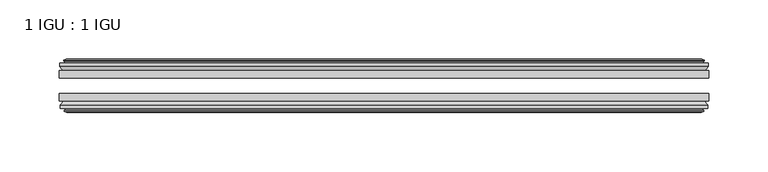
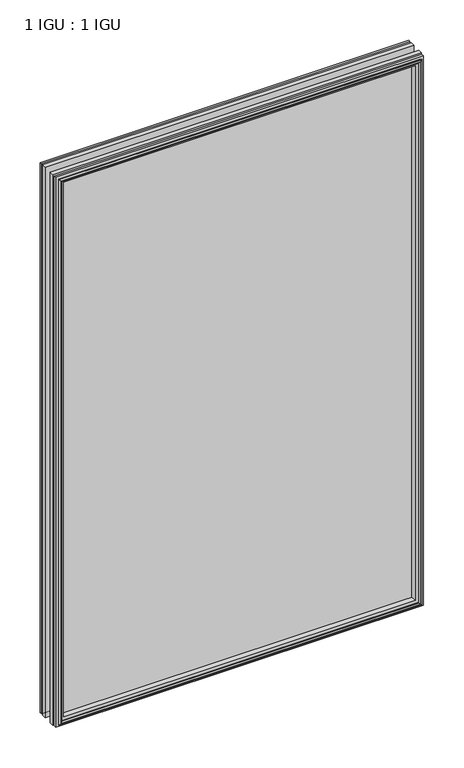
"""IFC4 building model written with IfcOpenShell, lengths in millimetres: plate geometry, 1 IGU : 1 IGU."""

from ifc_helpers import new_model, si_unit, frame, origin, place, context, project, spatial, polyline, outline, extrude, faceted_brep, source, transform, mapped, element, save


def plate_1_igu_1_igu_b5b1218d(model_context):
    return source(origin(), model_context, "Body", "SolidModel", [
        extrude(outline(polyline([(273.7421419, -19.5460937), (273.7421419, -25.8960938), (-273.7421419, -25.8960938), (-273.7421419, -19.5460937), (273.7421419, -19.5460937)])), frame((0.0, 0.0, -12.7), z_axis=(0.0, 0.0, 1.0), x_axis=(1.0, 0.0, 0.0)), (0.0, 0.0, 1.0), 863.6),
        extrude(outline(polyline([(-273.7421419, -44.9460938), (-273.7421419, -38.9186737), (273.7421419, -38.9186737), (273.7421419, -44.9460938), (-273.7421419, -44.9460938)])), frame((0.0, 0.0, -12.7), z_axis=(0.0, 0.0, 1.0), x_axis=(1.0, 0.0, 0.0)), (0.0, 0.0, 1.0), 863.6),
        faceted_brep([(-268.1541419, -53.6762907, 845.312), (-268.5351419, -51.2960937, 845.693), (-268.5351419, -51.2960937, -7.493), (-268.1541419, -53.6762907, -7.112), (-269.569671, -53.2163575, 846.7275291), (-269.569671, -53.2163575, -8.5275291), (-269.569671, -54.0175717, 846.7275291), (-269.569671, -54.0175717, -8.5275291), (-267.3921419, -54.7250937, 844.55), (-267.3921419, -54.7250937, -6.35), (-265.2146129, -54.0175717, 842.3724709), (-265.2146129, -54.0175717, -4.1724709), (-265.2146129, -53.2163575, 842.3724709), (-265.2146129, -53.2163575, -4.1724709), (-266.6301419, -53.6762907, 843.788), (-266.6301419, -53.6762907, -5.588), (-266.2491419, -51.2960937, 843.407), (-266.2491419, -51.2960937, -5.207), (-259.3244238, -44.9460937, 836.4822819), (-261.0421419, -51.2960937, 838.2), (-261.0421419, -51.2960937, 0.0), (-259.3244238, -44.9460937, 1.7177181), (-272.9801419, -48.3496937, 850.138), (-270.1457997, -44.9460937, 847.3036578), (-270.1457997, -44.9460937, -9.1036578), (-272.9801419, -48.3496937, -11.938), (-272.9801419, -51.2960937, 850.138), (-272.9801419, -51.2960937, -11.938), (268.5351419, -51.2960938, -7.493), (268.1541419, -53.6762907, -7.112), (269.569671, -53.2163575, -8.5275291), (269.569671, -54.0175717, -8.5275291), (267.3921419, -54.7250937, -6.35), (265.2146129, -54.0175717, -4.1724709), (265.2146129, -53.2163575, -4.1724709), (266.6301419, -53.6762907, -5.588), (266.2491419, -51.2960937, -5.207), (261.0421419, -51.2960937, 0.0), (259.3244238, -44.9460937, 1.7177181), (270.1457997, -44.9460937, -9.1036578), (272.9801419, -48.3496937, -11.938), (272.9801419, -51.2960938, -11.938), (268.5351419, -51.2960938, 845.693), (268.1541419, -53.6762907, 845.312), (269.569671, -53.2163575, 846.7275291), (269.569671, -54.0175717, 846.7275291), (267.3921419, -54.7250937, 844.55), (265.2146129, -54.0175717, 842.3724709), (265.2146129, -53.2163575, 842.3724709), (266.6301419, -53.6762907, 843.788), (266.2491419, -51.2960937, 843.407), (261.0421419, -51.2960937, 838.2), (259.3244238, -44.9460937, 836.4822819), (270.1457997, -44.9460937, 847.3036578), (272.9801419, -48.3496937, 850.138), (272.9801419, -51.2960938, 850.138)], [[[0, 1, 2, 3]], [[4, 0, 3, 5]], [[6, 4, 5, 7]], [[8, 6, 7, 9]], [[10, 8, 9, 11]], [[12, 10, 11, 13]], [[14, 12, 13, 15]], [[16, 14, 15, 17]], [[18, 19, 20, 21]], [[22, 23, 24, 25]], [[26, 22, 25, 27]], [[3, 2, 28, 29]], [[5, 3, 29, 30]], [[7, 5, 30, 31]], [[9, 7, 31, 32]], [[11, 9, 32, 33]], [[13, 11, 33, 34]], [[15, 13, 34, 35]], [[17, 15, 35, 36]], [[21, 20, 37, 38]], [[25, 24, 39, 40]], [[27, 25, 40, 41]], [[29, 28, 42, 43]], [[30, 29, 43, 44]], [[31, 30, 44, 45]], [[32, 31, 45, 46]], [[33, 32, 46, 47]], [[34, 33, 47, 48]], [[35, 34, 48, 49]], [[36, 35, 49, 50]], [[38, 37, 51, 52]], [[40, 39, 53, 54]], [[41, 40, 54, 55]], [[27, 41, 55, 26], [1, 42, 28, 2]], [[43, 42, 1, 0]], [[44, 43, 0, 4]], [[45, 44, 4, 6]], [[46, 45, 6, 8]], [[47, 46, 8, 10]], [[48, 47, 10, 12]], [[49, 48, 12, 14]], [[50, 49, 14, 16]], [[17, 36, 50, 16], [19, 51, 37, 20]], [[52, 51, 19, 18]], [[23, 53, 39, 24], [21, 38, 52, 18]], [[54, 53, 23, 22]], [[55, 54, 22, 26]]]),
        faceted_brep([(-270.6664997, -19.5460937, 847.8243578), (-273.5008419, -16.1424937, 850.6587), (-273.5008419, -16.1424937, -12.4587), (-270.6664997, -19.5460937, -9.6243578), (-261.5628419, -13.1960937, 838.7207), (-259.8451238, -19.5460937, 837.0029819), (-259.8451238, -19.5460937, 1.1970181), (-261.5628419, -13.1960937, -0.5207), (-267.1508419, -10.8158968, 844.3087), (-266.7698419, -13.1960937, 843.9277), (-266.7698419, -13.1960937, -5.7277), (-267.1508419, -10.8158968, -6.1087), (-265.7353129, -11.27583, 842.8931709), (-265.7353129, -11.27583, -4.6931709), (-265.7353129, -10.4746158, 842.8931709), (-265.7353129, -10.4746158, -4.6931709), (-267.9128419, -9.7670937, 845.0707), (-267.9128419, -9.7670937, -6.8707), (-270.090371, -10.4746158, 847.2482291), (-270.090371, -10.4746158, -9.0482291), (-270.090371, -11.27583, 847.2482291), (-270.090371, -11.27583, -9.0482291), (-268.6748419, -10.8158968, 845.8327), (-268.6748419, -10.8158968, -7.6327), (-269.0558419, -13.1960937, 846.2137), (-269.0558419, -13.1960937, -8.0137), (-273.5008419, -13.1960937, 850.6587), (-273.5008419, -13.1960937, -12.4587), (273.5008419, -16.1424937, -12.4587), (270.6664997, -19.5460937, -9.6243578), (259.8451238, -19.5460937, 1.1970181), (261.5628419, -13.1960937, -0.5207), (266.7698419, -13.1960937, -5.7277), (267.1508419, -10.8158968, -6.1087), (265.7353129, -11.27583, -4.6931709), (265.7353129, -10.4746158, -4.6931709), (267.9128419, -9.7670937, -6.8707), (270.090371, -10.4746158, -9.0482291), (270.090371, -11.27583, -9.0482291), (268.6748419, -10.8158968, -7.6327), (269.0558419, -13.1960937, -8.0137), (273.5008419, -13.1960937, -12.4587), (273.5008419, -16.1424937, 850.6587), (270.6664997, -19.5460937, 847.8243578), (259.8451238, -19.5460937, 837.0029819), (261.5628419, -13.1960937, 838.7207), (266.7698419, -13.1960937, 843.9277), (267.1508419, -10.8158968, 844.3087), (265.7353129, -11.27583, 842.8931709), (265.7353129, -10.4746158, 842.8931709), (267.9128419, -9.7670937, 845.0707), (270.090371, -10.4746158, 847.2482291), (270.090371, -11.27583, 847.2482291), (268.6748419, -10.8158968, 845.8327), (269.0558419, -13.1960937, 846.2137), (273.5008419, -13.1960937, 850.6587)], [[[0, 1, 2, 3]], [[4, 5, 6, 7]], [[8, 9, 10, 11]], [[12, 8, 11, 13]], [[14, 12, 13, 15]], [[16, 14, 15, 17]], [[18, 16, 17, 19]], [[20, 18, 19, 21]], [[22, 20, 21, 23]], [[24, 22, 23, 25]], [[1, 26, 27, 2]], [[3, 2, 28, 29]], [[7, 6, 30, 31]], [[11, 10, 32, 33]], [[13, 11, 33, 34]], [[15, 13, 34, 35]], [[17, 15, 35, 36]], [[19, 17, 36, 37]], [[21, 19, 37, 38]], [[23, 21, 38, 39]], [[25, 23, 39, 40]], [[2, 27, 41, 28]], [[29, 28, 42, 43]], [[31, 30, 44, 45]], [[33, 32, 46, 47]], [[34, 33, 47, 48]], [[35, 34, 48, 49]], [[36, 35, 49, 50]], [[37, 36, 50, 51]], [[38, 37, 51, 52]], [[39, 38, 52, 53]], [[40, 39, 53, 54]], [[28, 41, 55, 42]], [[43, 42, 1, 0]], [[3, 29, 43, 0], [5, 44, 30, 6]], [[45, 44, 5, 4]], [[9, 46, 32, 10], [7, 31, 45, 4]], [[47, 46, 9, 8]], [[48, 47, 8, 12]], [[49, 48, 12, 14]], [[50, 49, 14, 16]], [[51, 50, 16, 18]], [[52, 51, 18, 20]], [[53, 52, 20, 22]], [[54, 53, 22, 24]], [[26, 55, 41, 27], [25, 40, 54, 24]], [[42, 55, 26, 1]]]),
    ])


if __name__ == "__main__":
    model = new_model("IFC4")
    model_context = context("Model", 3, world=origin())
    ifc_project = project(units=[si_unit("LENGTHUNIT", "METRE", prefix="MILLI")], contexts=[model_context])
    site = spatial("IfcSite", under=ifc_project)
    building = spatial("IfcBuilding", under=site)
    placement = place(None, origin())
    plate_1_igu_1_igu_shape = plate_1_igu_1_igu_b5b1218d(model_context)
    element("IfcPlate", 1, ObjectType="1 IGU : 1 IGU", at=placement, inside=building, context=model_context, shape_type="MappedRepresentation", body=[
        mapped(plate_1_igu_1_igu_shape, transform((0.0, 0.0, 0.0), x_axis=(1.0, 0.0, 0.0), y_axis=(0.0, 1.0, 0.0), z_axis=(0.0, 0.0, 1.0))),
    ])
    save(model, "model.ifc")
